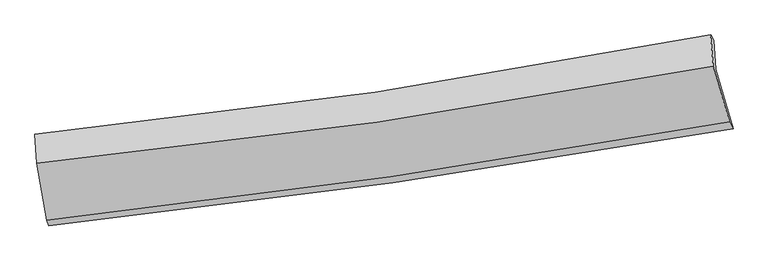
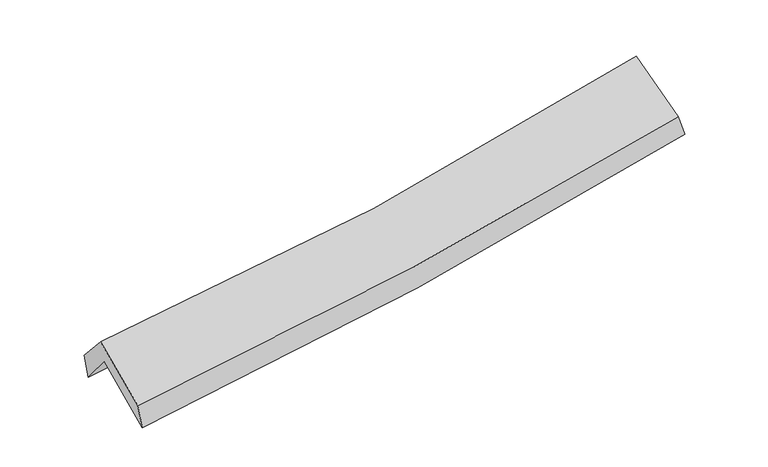
"""IFC4 building model written with IfcOpenShell, lengths in millimetres: proxy geometry."""

from ifc_helpers import new_model, si_unit, frame, origin, place, context, project, spatial, source, transform, mapped, element, save
from ifc_brep_helpers import plane_surface, spline_curve, spline_surface, advanced_brep


def generic_models_4b6dcd69(model_context):
    return source(origin(), model_context, "Body", "AdvancedBrep", [
        advanced_brep(
        [(-2907.219161, -2505.7236557, 1446.3133002), (-2997.979619, -1998.152322, 1883.8615626), (2922.9008151, -1139.3734839, 2402.3001882), (3074.7405102, -1657.3233397, 1976.8455608), (-3013.1032869, -1745.4358737, 1564.0052198), (2907.5412444, -884.4599048, 2085.4119549), (-3030.238261, -1705.8863922, 1778.0719262), (2878.1434205, -837.0195752, 2261.6946815), (-3013.3206516, -1961.2046136, 2071.9219095), (2901.1768456, -1111.3866412, 2545.1319153), (-2925.3072595, -2459.4749229, 1661.7770596), (3043.8160974, -1596.5265966, 2142.9231175)],
        [
            (0, 1),
            (1, 2, spline_curve(3, [(-2997.979619, -1998.152322, 1883.8615626), (-2001.913656446, -1883.459027714, 1929.116395779), (-1009.692326514, -1754.410333073, 1995.048971119), (963.91000989, -1468.059333137, 2167.99348199), (1945.31549103, -1310.848414903, 2274.873782062), (2922.9008151, -1139.3734839, 2402.3001882)], [4, 2, 4], [0.0, 9.919386216750942, 19.807148285008275])),
            (2, 3),
            (3, 0, spline_curve(3, [(3074.7405102, -1657.3233397, 1976.8455608), (2086.794305523, -1831.80007167, 1857.150908998), (1095.126416703, -1989.65216938, 1753.138071044), (-898.836296162, -2272.558786118, 1576.193513179), (-1901.154964351, -2397.506793813, 1503.362264083), (-2907.219161, -2505.7236557, 1446.3133002)], [4, 2, 4], [0.0, 9.887762068257333, 19.807148285008275])),
            (1, 4),
            (4, 5, spline_curve(3, [(-3013.1032869, -1745.4358737, 1564.0052198), (-2016.242604771, -1635.461269092, 1610.463492343), (-1023.644270642, -1508.584473394, 1677.244959488), (949.876772011, -1221.484883417, 1851.176583594), (1930.826615057, -1061.369689559, 1958.197361308), (2907.5412444, -884.4599048, 2085.4119549)], [4, 2, 4], [0.0, 9.871092089204094, 19.71071399716896])),
            (5, 2),
            (4, 6),
            (6, 7, spline_curve(3, [(-3030.238261, -1705.8863922, 1778.0719262), (-2032.811068854, -1605.315807201, 1805.491437664), (-1040.955102086, -1482.473841944, 1859.609995706), (928.469991858, -1192.709788356, 2020.98754884), (1906.074585336, -1025.92948139, 2128.076575782), (2878.1434205, -837.0195752, 2261.6946815)], [4, 2, 4], [0.0, 9.860434178482581, 19.689432154375815])),
            (7, 5),
            (6, 8),
            (8, 9, spline_curve(3, [(-3013.3206516, -1961.2046136, 2071.9219095), (-2016.164251993, -1863.121445944, 2107.709239893), (-1023.932184934, -1743.1136803, 2165.134525151), (947.53563189, -1459.701449462, 2323.008942311), (1926.802730857, -1296.436557591, 2423.320325652), (2901.1768456, -1111.3866412, 2545.1319153)], [4, 2, 4], [0.0, 9.851577142452692, 19.67174631956948])),
            (9, 7),
            (8, 10),
            (10, 11, spline_curve(3, [(-2925.3072595, -2459.4749229, 1661.7770596), (-1921.666522825, -2347.629718758, 1708.442794802), (-921.630761621, -2219.654228129, 1771.962049344), (1068.054074632, -1931.902099726, 1932.451359174), (2057.726098683, -1772.228148284, 2029.314124148), (3043.8160974, -1596.5265966, 2142.9231175)], [4, 2, 4], [0.0, 9.898913712240937, 19.76626854469628])),
            (11, 9),
            (10, 0),
            (3, 11),
        ],
        [
            spline_surface(3, 3, [[(-2907.219161, -2505.7236557, 1446.3133002), (-1901.154964303, -2397.506793772, 1503.362264113), (-898.836296111, -2272.558786225, 1576.193513132), (1095.126416652, -1989.652169273, 1753.138071091), (2086.794305565, -1831.800071541, 1857.150908917), (3074.7405102, -1657.3233397, 1976.8455608)], [(-2937.472646988, -2336.53321111, 1592.162721019), (-1934.741195016, -2226.157538368, 1645.280308009), (-935.788306188, -2099.842635208, 1715.811999118), (1051.387614379, -1815.787890532, 1891.423208113), (2039.634700762, -1658.149519306, 1996.391866615), (3024.12727853, -1484.673387784, 2118.663769919)], [(-2967.726133012, -2167.34276659, 1738.012141781), (-1968.327425766, -2054.808283035, 1787.198351849), (-972.740316323, -1927.126484183, 1855.430485035), (1007.64881205, -1641.923611784, 2029.708345065), (1992.475095871, -1484.498967017, 2135.632824356), (2973.51404677, -1312.023435816, 2260.481979081)], [(-2997.979619, -1998.152322, 1883.8615626), (-2001.913656479, -1883.459027631, 1929.116395745), (-1009.692326401, -1754.410333166, 1995.048971021), (963.910009777, -1468.059333044, 2167.993482088), (1945.315491069, -1310.848414782, 2274.873782055), (2922.9008151, -1139.3734839, 2402.3001882)]], [4, 4], [4, 2, 4], [0.0, 2.221967942380192], [0.0, 9.919386216750942, 19.807148285008275]),
            spline_surface(3, 3, [[(-2997.979619, -1998.152322, 1883.8615626), (-2001.913656479, -1883.459027631, 1929.116395745), (-1009.692326401, -1754.410333166, 1995.048971021), (963.910009777, -1468.059333044, 2167.993482088), (1945.315491069, -1310.848414782, 2274.873782055), (2922.9008151, -1139.3734839, 2402.3001882)], [(-3003.020841638, -1913.913505913, 1777.242781651), (-2006.689972565, -1800.793108182, 1822.898761284), (-1014.342974485, -1672.468379936, 1889.114300538), (959.232263865, -1385.867849817, 2062.387849197), (1940.485865727, -1227.688839686, 2169.314975137), (2917.780958183, -1054.402290865, 2296.670777103)], [(-3008.062064262, -1829.674689787, 1670.624000749), (-2011.466288638, -1718.127188694, 1716.681126869), (-1018.993622578, -1590.526426692, 1783.179630102), (954.554517943, -1303.676366575, 1956.782216354), (1935.656240438, -1144.529264596, 2063.756168211), (2912.661101317, -969.431097835, 2191.041365997)], [(-3013.1032869, -1745.4358737, 1564.0052198), (-2016.242604724, -1635.461269245, 1610.463492408), (-1023.644270662, -1508.584473462, 1677.244959619), (949.876772031, -1221.484883348, 1851.176583463), (1930.826615097, -1061.3696895, 1958.197361293), (2907.5412444, -884.4599048, 2085.4119549)]], [4, 4], [4, 2, 4], [0.0, 1.3184595200923122], [0.0, 9.871092089204094, 19.71071399716896]),
            spline_surface(3, 3, [[(-3013.1032869, -1745.4358737, 1564.0052198), (-2016.242604724, -1635.461269245, 1610.463492408), (-1023.644270662, -1508.584473462, 1677.244959619), (949.876772031, -1221.484883348, 1851.176583463), (1930.826615097, -1061.3696895, 1958.197361293), (2907.5412444, -884.4599048, 2085.4119549)], [(-3018.814944935, -1732.252713207, 1635.3607886), (-2021.765426106, -1625.412781918, 1675.472807523), (-1029.414547766, -1499.8809296, 1738.033305), (942.741178595, -1211.893185042, 1907.780238567), (1922.575938519, -1049.556286825, 2014.823766153), (2897.74196977, -868.646461593, 2144.172863768)], [(-3024.526602965, -1719.069552693, 1706.7163574), (-2027.288247482, -1615.36429457, 1740.482122638), (-1035.184824858, -1491.177385735, 1798.821650386), (935.605585172, -1202.301486734, 1964.383893675), (1914.325261932, -1037.742884172, 2071.45017101), (2887.94269513, -852.833018407, 2202.933772632)], [(-3030.238261, -1705.8863922, 1778.0719262), (-2032.811068864, -1605.315807243, 1805.491437753), (-1040.955101963, -1482.473841873, 1859.609995768), (928.469991735, -1192.709788428, 2020.987548779), (1906.074585354, -1025.929481496, 2128.07657587), (2878.1434205, -837.0195752, 2261.6946815)]], [4, 4], [4, 2, 4], [0.0, 0.5881901860277543], [0.0, 9.860434178482581, 19.689432154375815]),
            spline_surface(3, 3, [[(-3030.238261, -1705.8863922, 1778.0719262), (-2032.811068864, -1605.315807243, 1805.491437753), (-1040.955101963, -1482.473841873, 1859.609995768), (928.469991735, -1192.709788428, 2020.987548779), (1906.074585354, -1025.929481496, 2128.07657587), (2878.1434205, -837.0195752, 2261.6946815)], [(-3024.599057888, -1790.992465995, 1876.021920622), (-2027.262129898, -1691.251020163, 1906.230705131), (-1035.280796335, -1569.353788009, 1961.451505553), (934.825205169, -1281.707008737, 2121.661346658), (1912.983967209, -1116.098506882, 2226.491159184), (2885.821228866, -928.475263874, 2356.173759451)], [(-3018.959854712, -1876.098539805, 1973.971915078), (-2021.713190869, -1777.186233098, 2006.969972543), (-1029.606490707, -1656.233734208, 2063.2930153), (941.180418601, -1370.704229108, 2222.335144498), (1919.893349065, -1206.267532246, 2324.905742446), (2893.499037234, -1019.930952526, 2450.652837349)], [(-3013.3206516, -1961.2046136, 2071.9219095), (-2016.164251903, -1863.121446018, 2107.70923992), (-1023.932185079, -1743.113680345, 2165.134525085), (947.535632034, -1459.701449418, 2323.008942378), (1926.80273092, -1296.436557631, 2423.320325761), (2901.1768456, -1111.3866412, 2545.1319153)]], [4, 4], [4, 2, 4], [0.0, 1.32132854702036], [0.0, 9.851577142452692, 19.67174631956948]),
            spline_surface(3, 3, [[(-3013.3206516, -1961.2046136, 2071.9219095), (-2016.164251903, -1863.121446018, 2107.70923992), (-1023.932185079, -1743.113680345, 2165.134525085), (947.535632034, -1459.701449418, 2323.008942378), (1926.80273092, -1296.436557631, 2423.320325761), (2901.1768456, -1111.3866412, 2545.1319153)], [(-2983.98285421, -2127.294716689, 1935.206959545), (-1984.665008898, -2024.624203625, 1974.620424888), (-989.831710571, -1901.960529648, 2034.077033145), (987.708446211, -1617.101666168, 2192.823081311), (1970.443853555, -1455.033754474, 2291.984925155), (2948.723262875, -1273.099959655, 2411.062316003)], [(-2954.64505689, -2293.384819811, 1798.492009555), (-1953.165765963, -2186.126961265, 1841.531609821), (-955.731236062, -2060.807378918, 1903.019541242), (1027.881260388, -1774.501882884, 2062.637220282), (2014.084976164, -1613.630951351, 2160.649524641), (2996.269680125, -1434.813278145, 2276.992716797)], [(-2925.3072595, -2459.4749229, 1661.7770596), (-1921.666522958, -2347.629718872, 1708.442794789), (-921.630761553, -2219.654228221, 1771.962049302), (1068.054074564, -1931.902099634, 1932.451359216), (2057.726098799, -1772.228148194, 2029.314124035), (3043.8160974, -1596.5265966, 2142.9231175)]], [4, 4], [4, 2, 4], [0.0, 2.051512304532609], [0.0, 9.898913712240937, 19.76626854469628]),
            spline_surface(3, 3, [[(-2925.3072595, -2459.4749229, 1661.7770596), (-1921.666522958, -2347.629718872, 1708.442794789), (-921.630761553, -2219.654228221, 1771.962049302), (1068.054074564, -1931.902099634, 1932.451359216), (2057.726098799, -1772.228148194, 2029.314124035), (3043.8160974, -1596.5265966, 2142.9231175)], [(-2919.277893341, -2474.891167187, 1589.955806463), (-1914.829336747, -2364.255410525, 1640.082617893), (-914.032606424, -2237.28908089, 1706.705870572), (1077.078188575, -1951.152122848, 1872.680263168), (2067.415501031, -1792.085455973, 1971.926385686), (3054.124234976, -1616.79217763, 2087.563931957)], [(-2913.248527159, -2490.307411413, 1518.134553337), (-1907.992150513, -2380.881102118, 1571.722441009), (-906.43445124, -2254.923933556, 1641.449691862), (1086.102302641, -1970.402146059, 1812.909167139), (2077.104903333, -1811.942763762, 1914.538647266), (3064.432372624, -1637.05775867, 2032.204746343)], [(-2907.219161, -2505.7236557, 1446.3133002), (-1901.154964303, -2397.506793772, 1503.362264113), (-898.836296111, -2272.558786225, 1576.193513132), (1095.126416652, -1989.652169273, 1753.138071091), (2086.794305565, -1831.800071541, 1857.150908917), (3074.7405102, -1657.3233397, 1976.8455608)]], [4, 4], [4, 2, 4], [0.0, 0.6467753023568628], [0.0, 9.956115026650131, 19.8804888091202]),
            plane_surface(frame((2954.7198222, -1204.3482569, 2235.717903), z_axis=(0.9745447169336376, 0.1953870799206674, 0.10993854509138651), x_axis=(0.22076077866094143, -0.7508443358650159, -0.6224929412486845))),
            plane_surface(frame((-2981.1947065, -2062.6462967, 1734.325163), z_axis=(-0.9900572131779396, -0.1293144061686531, -0.05535791715356109), x_axis=(-0.08180494111630428, 0.2091637699404762, 0.9744529075092575))),
        ],
        [
            (0, [[1, 2, 3, 4]]),
            (1, [[5, 6, 7, -2]]),
            (2, [[8, 9, 10, -6]]),
            (3, [[11, 12, 13, -9]]),
            (4, [[14, 15, 16, -12]]),
            (5, [[17, -4, 18, -15]]),
            (6, [[-16, -18, -3, -7, -10, -13]]),
            (7, [[-17, -14, -11, -8, -5, -1]]),
        ],
    ),
    ])


if __name__ == "__main__":
    model = new_model("IFC4")
    model_context = context("Model", 3, world=origin())
    ifc_project = project(units=[si_unit("LENGTHUNIT", "METRE", prefix="MILLI")], contexts=[model_context])
    site = spatial("IfcSite", under=ifc_project)
    building = spatial("IfcBuilding", under=site)
    placement = place(None, origin())
    generic_models_shape = generic_models_4b6dcd69(model_context)
    element("IfcBuildingElementProxy", 1, Name="Generic Models", at=placement, inside=building, context=model_context, shape_type="MappedRepresentation", body=[
        mapped(generic_models_shape, transform((0.0, 0.0, 0.0), x_axis=(1.0, 0.0, 0.0), y_axis=(0.0, 1.0, 0.0), z_axis=(0.0, 0.0, 1.0))),
    ])
    save(model, "model.ifc")
